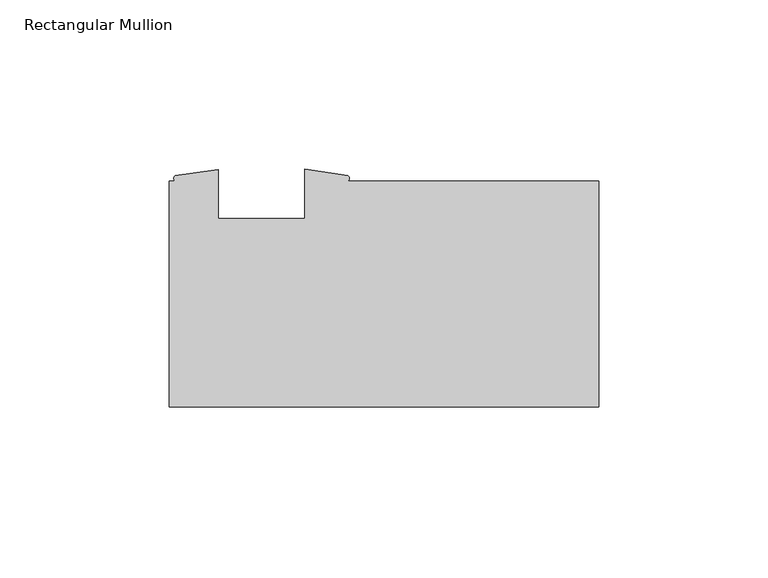
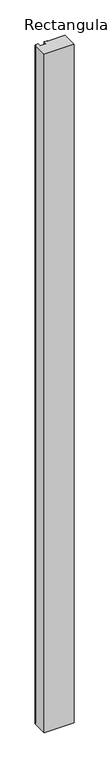
"""IFC4 building model written with IfcOpenShell, lengths in millimetres: member geometry, Rectangular Mullion."""

from ifc_helpers import new_model, si_unit, point, frame, frame_2d, origin, place, context, project, spatial, polyline, circle_curve, trimmed, segment, composite_curve, outline, extrude, source, transform, mapped, element, save


def rectangular_mullion_cdbf6776(model_context):
    return source(origin(), model_context, "Body", "SweptSolid", [
        extrude(outline(composite_curve([segment(polyline([(-74.0694222, 33.3375), (0.0, 33.3375), (0.0, -33.3375), (-126.746, -33.3375), (-126.746, 33.3375), (-125.0137625, 33.3375)]), True, "CONTINUOUS"), segment(trimmed(circle_curve(frame_2d((-124.5606743, 34.1304481)), 0.9132665), [point((-125.0137625, 33.3375))], [point((-125.0137625, 34.9233963))], False, "CARTESIAN"), True, "CONTINUOUS"), segment(polyline([(-125.0137625, 34.9233963), (-112.242475, 36.7335), (-112.242475, 22.225), (-86.842475, 22.225), (-86.842475, 36.8570217), (-74.0694222, 35.0009044)]), True, "CONTINUOUS"), segment(trimmed(circle_curve(frame_2d((-74.5888557, 34.1692022)), 0.9805813), [point((-74.0694222, 35.0009044))], [point((-74.0694222, 33.3375))], False, "CARTESIAN"), True, "CONTINUOUS")], self_intersect=False)), frame((0.0, 0.0, -3048.0), z_axis=(0.0, 0.0, 1.0), x_axis=(1.0, 0.0, 0.0)), (0.0, 0.0, 1.0), 3048.0),
    ])


if __name__ == "__main__":
    model = new_model("IFC4")
    model_context = context("Model", 3, world=origin())
    ifc_project = project(units=[si_unit("LENGTHUNIT", "METRE", prefix="MILLI")], contexts=[model_context])
    site = spatial("IfcSite", under=ifc_project)
    building = spatial("IfcBuilding", under=site)
    placement = place(None, origin())
    rectangular_mullion_shape = rectangular_mullion_cdbf6776(model_context)
    element("IfcMember", 1, ObjectType="Rectangular Mullion", at=placement, inside=building, context=model_context, shape_type="MappedRepresentation", body=[
        mapped(rectangular_mullion_shape, transform((0.0, 0.0, 0.0), x_axis=(1.0, 0.0, 0.0), y_axis=(0.0, 1.0, 0.0), z_axis=(0.0, 0.0, 1.0))),
    ])
    save(model, "model.ifc")
